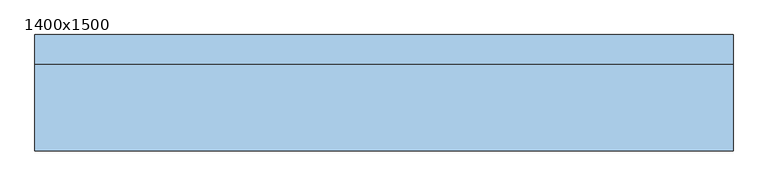
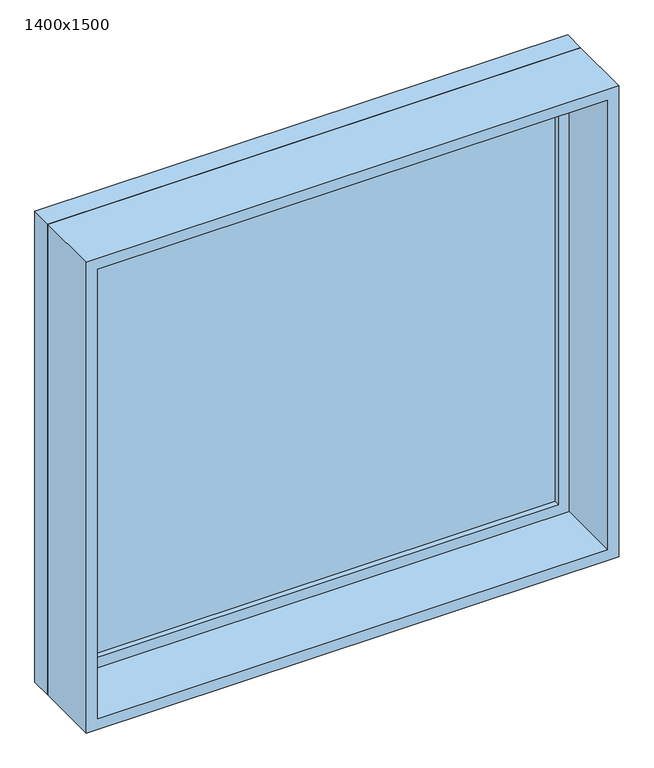
"""IFC4 building model written with IfcOpenShell, lengths in millimetres: window geometry, 1400x1500."""

from ifc_helpers import new_model, si_unit, frame, origin, place, context, project, spatial, polyline, outline, extrude, source, transform, mapped, element, save


def window_1400x1500_b73e3fc2(model_context):
    return source(origin(), model_context, "Body", "SweptSolid", [
        extrude(outline(polyline([(-687.0, 103.0), (687.0, 103.0), (687.0, 91.0), (-687.0, 91.0), (-687.0, 103.0)])), frame((0.0, 0.0, 978.0), z_axis=(0.0, 0.0, 1.0), x_axis=(1.0, 0.0, 0.0)), (0.0, 0.0, 1.0), 1274.0),
        extrude(outline(polyline([(2296.0, -731.0), (934.0, -731.0), (934.0, 731.0), (2296.0, 731.0), (2296.0, -731.0)]), holes=[polyline([(2252.0, -687.0), (2252.0, 687.0), (978.0, 687.0), (978.0, -687.0), (2252.0, -687.0)])]), frame((0.0, 75.0, 0.0), z_axis=(0.0, 1.0, 0.0), x_axis=(0.0, 0.0, 1.0)), (0.0, 0.0, 1.0), 44.0),
        extrude(outline(polyline([(2315.0, -750.0), (915.0, -750.0), (915.0, 750.0), (2315.0, 750.0), (2315.0, -750.0)]), holes=[polyline([(2296.0, -731.0), (2296.0, 731.0), (934.0, 731.0), (934.0, -731.0), (2296.0, -731.0)])]), frame((0.0, 75.0, 0.0), z_axis=(0.0, 1.0, 0.0), x_axis=(0.0, 0.0, 1.0)), (0.0, 0.0, 1.0), 63.0),
        extrude(outline(polyline([(2315.0, -750.0), (915.0, -750.0), (915.0, 750.0), (2315.0, 750.0), (2315.0, -750.0)]), holes=[polyline([(2283.0, -718.0), (2283.0, 718.0), (947.0, 718.0), (947.0, -718.0), (2283.0, -718.0)])]), frame((0.0, -112.0, 0.0), z_axis=(0.0, 1.0, 0.0), x_axis=(0.0, 0.0, 1.0)), (0.0, 0.0, 1.0), 187.0),
    ])


if __name__ == "__main__":
    model = new_model("IFC4")
    model_context = context("Model", 3, world=origin())
    ifc_project = project(units=[si_unit("LENGTHUNIT", "METRE", prefix="MILLI")], contexts=[model_context])
    site = spatial("IfcSite", under=ifc_project)
    building = spatial("IfcBuilding", under=site)
    placement = place(None, origin())
    window_1400x1500_shape = window_1400x1500_b73e3fc2(model_context)
    element("IfcWindow", 1, ObjectType="1400x1500", at=placement, inside=building, context=model_context, shape_type="MappedRepresentation", body=[
        mapped(window_1400x1500_shape, transform((0.0, 0.0, 0.0), x_axis=(1.0, 0.0, 0.0), y_axis=(0.0, 1.0, 0.0), z_axis=(0.0, 0.0, 1.0))),
    ])
    save(model, "model.ifc")
